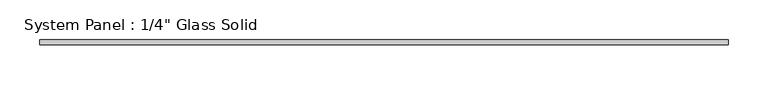
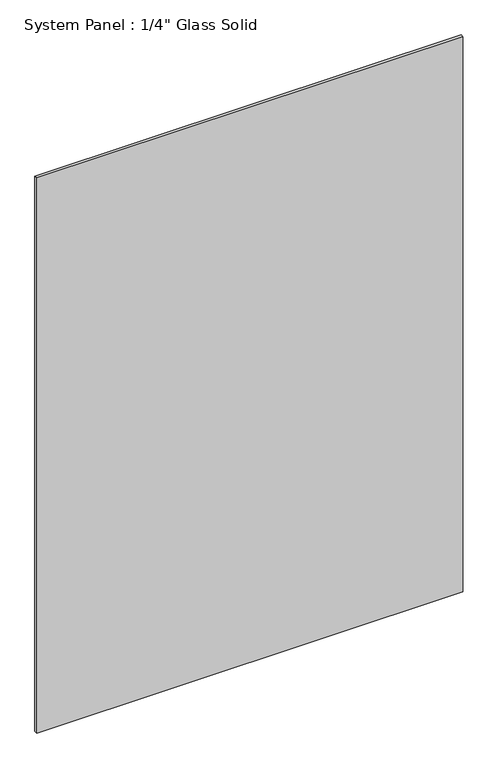
"""IFC4 building model written with IfcOpenShell, lengths in millimetres: plate geometry."""

from ifc_helpers import new_model, si_unit, origin, origin_with_axes, place, context, project, spatial, polyline, outline, extrude, source, transform, mapped, element, save


def plate_a32611e3(model_context):
    return source(origin(), model_context, "Body", "SweptSolid", [
        extrude(outline(polyline([(433.3883852, -3.175), (-433.3883852, -3.175), (-433.3883852, 3.175), (433.3883852, 3.175), (433.3883852, -3.175)])), origin_with_axes(), (0.0, 0.0, 1.0), 1193.8017704),
    ])


if __name__ == "__main__":
    model = new_model("IFC4")
    model_context = context("Model", 3, world=origin())
    ifc_project = project(units=[si_unit("LENGTHUNIT", "METRE", prefix="MILLI")], contexts=[model_context])
    site = spatial("IfcSite", under=ifc_project)
    building = spatial("IfcBuilding", under=site)
    placement = place(None, origin())
    plate_shape = plate_a32611e3(model_context)
    element("IfcPlate", 1, ObjectType="System Panel : 1/4\" Glass Solid", at=placement, inside=building, context=model_context, shape_type="MappedRepresentation", body=[
        mapped(plate_shape, transform((0.0, 0.0, 0.0), x_axis=(1.0, 0.0, 0.0), y_axis=(0.0, 1.0, 0.0), z_axis=(0.0, 0.0, 1.0))),
    ])
    save(model, "model.ifc")
